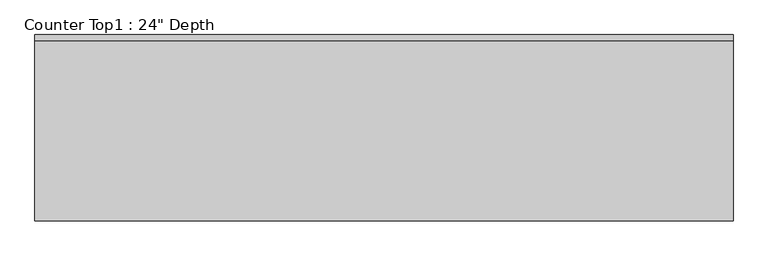
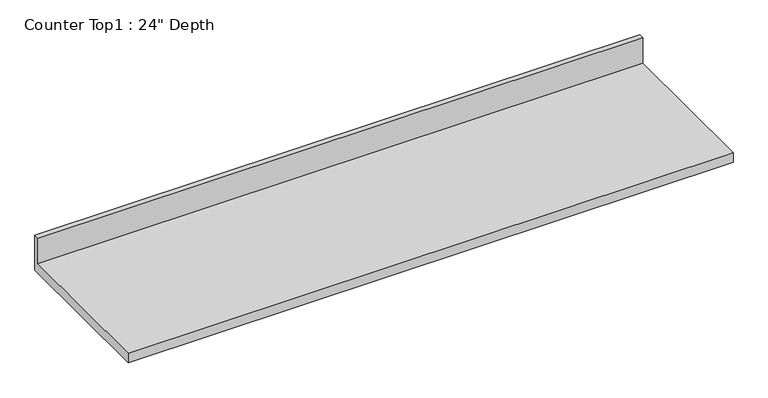
"""IFC4 building model written with IfcOpenShell, lengths in millimetres: furniture geometry."""

from ifc_helpers import new_model, si_unit, frame, origin, place, context, project, spatial, polyline, outline, extrude, source, transform, mapped, element, save


def furniture_1e2febad(model_context):
    return source(origin(), model_context, "Body", "SweptSolid", [
        extrude(outline(polyline([(0.0, 1016.0), (0.0, 876.3), (-609.6, 876.3), (-609.6, 914.4), (-19.05, 914.4), (-19.05, 1016.0), (0.0, 1016.0)])), frame((-1200.4622951, 0.0, 0.0), z_axis=(1.0, 0.0, 0.0), x_axis=(0.0, 1.0, 0.0)), (0.0, 0.0, 1.0), 2286.0),
    ])


if __name__ == "__main__":
    model = new_model("IFC4")
    model_context = context("Model", 3, world=origin())
    ifc_project = project(units=[si_unit("LENGTHUNIT", "METRE", prefix="MILLI")], contexts=[model_context])
    site = spatial("IfcSite", under=ifc_project)
    building = spatial("IfcBuilding", under=site)
    placement = place(None, origin())
    furniture_shape = furniture_1e2febad(model_context)
    element("IfcFurniture", 1, ObjectType="Counter Top1 : 24\" Depth", at=placement, inside=building, context=model_context, shape_type="MappedRepresentation", body=[
        mapped(furniture_shape, transform((0.0, 0.0, 0.0), x_axis=(1.0, 0.0, 0.0), y_axis=(0.0, 1.0, 0.0), z_axis=(0.0, 0.0, 1.0))),
    ])
    save(model, "model.ifc")
